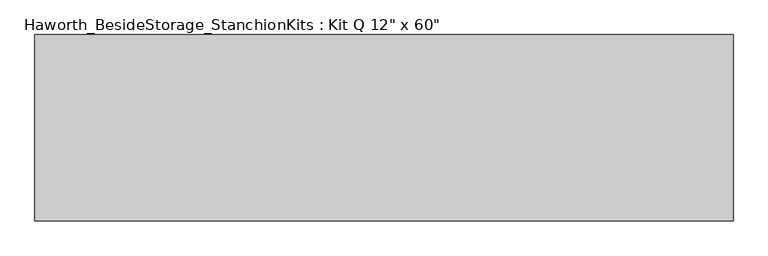
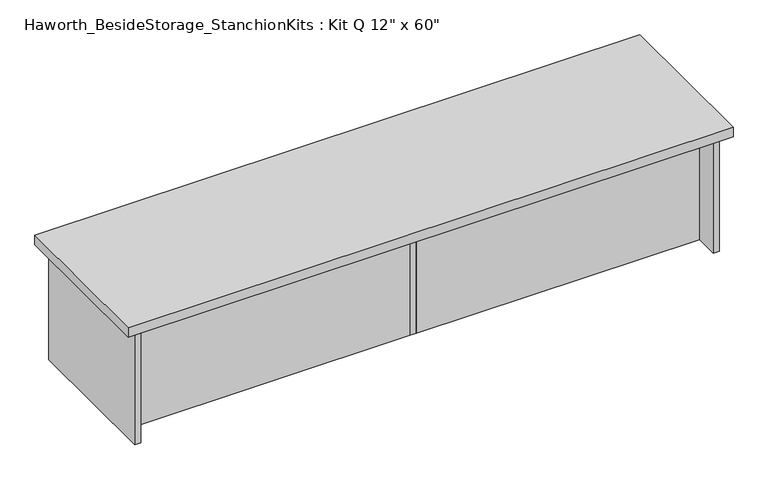
"""IFC4 building model written with IfcOpenShell, lengths in millimetres: furniture geometry."""

from ifc_helpers import new_model, si_unit, frame, origin, place, context, project, spatial, polyline, outline, extrude, source, transform, mapped, element, save


def furniture_d91e6be9(model_context):
    return source(origin(), model_context, "Body", "SweptSolid", [
        extrude(outline(polyline([(923.925, 0.0), (-600.075, 0.0), (-600.075, 406.4), (923.925, 406.4), (923.925, 0.0)])), frame((0.0, 0.0, 736.6), z_axis=(0.0, 0.0, 1.0), x_axis=(1.0, 0.0, 0.0)), (0.0, 0.0, 1.0), 25.4),
        extrude(outline(polyline([(169.8625, 76.2), (169.8625, 92.075), (882.65, 92.075), (882.65, 76.2), (169.8625, 76.2)])), frame((0.0, 0.0, 431.8), z_axis=(0.0, 0.0, 1.0), x_axis=(1.0, 0.0, 0.0)), (0.0, 0.0, 1.0), 304.8),
        extrude(outline(polyline([(153.9875, 76.2), (-558.8, 76.2), (-558.8, 92.075), (153.9875, 92.075), (153.9875, 76.2)])), frame((0.0, 0.0, 431.8), z_axis=(0.0, 0.0, 1.0), x_axis=(1.0, 0.0, 0.0)), (0.0, 0.0, 1.0), 304.8),
        extrude(outline(polyline([(169.8625, 330.2), (169.8625, 76.2), (153.9875, 76.2), (153.9875, 330.2), (169.8625, 330.2)])), frame((0.0, 0.0, 431.8), z_axis=(0.0, 0.0, 1.0), x_axis=(1.0, 0.0, 0.0)), (0.0, 0.0, 1.0), 304.8),
        extrude(outline(polyline([(898.525, 390.525), (898.525, 15.875), (882.65, 15.875), (882.65, 390.525), (898.525, 390.525)])), frame((0.0, 0.0, 431.8), z_axis=(0.0, 0.0, 1.0), x_axis=(1.0, 0.0, 0.0)), (0.0, 0.0, 1.0), 304.8),
        extrude(outline(polyline([(-558.8, 390.525), (-558.8, 15.875), (-574.675, 15.875), (-574.675, 390.525), (-558.8, 390.525)])), frame((0.0, 0.0, 431.8), z_axis=(0.0, 0.0, 1.0), x_axis=(1.0, 0.0, 0.0)), (0.0, 0.0, 1.0), 304.8),
    ])


if __name__ == "__main__":
    model = new_model("IFC4")
    model_context = context("Model", 3, world=origin())
    ifc_project = project(units=[si_unit("LENGTHUNIT", "METRE", prefix="MILLI")], contexts=[model_context])
    site = spatial("IfcSite", under=ifc_project)
    building = spatial("IfcBuilding", under=site)
    placement = place(None, origin())
    furniture_shape = furniture_d91e6be9(model_context)
    element("IfcFurniture", 1, ObjectType="Haworth_BesideStorage_StanchionKits : Kit Q 12\" x 60\"", at=placement, inside=building, context=model_context, shape_type="MappedRepresentation", body=[
        mapped(furniture_shape, transform((0.0, 0.0, 0.0), x_axis=(1.0, 0.0, 0.0), y_axis=(0.0, 1.0, 0.0), z_axis=(0.0, 0.0, 1.0))),
    ])
    save(model, "model.ifc")
